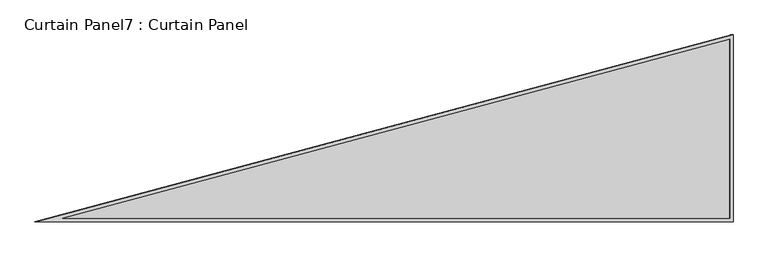
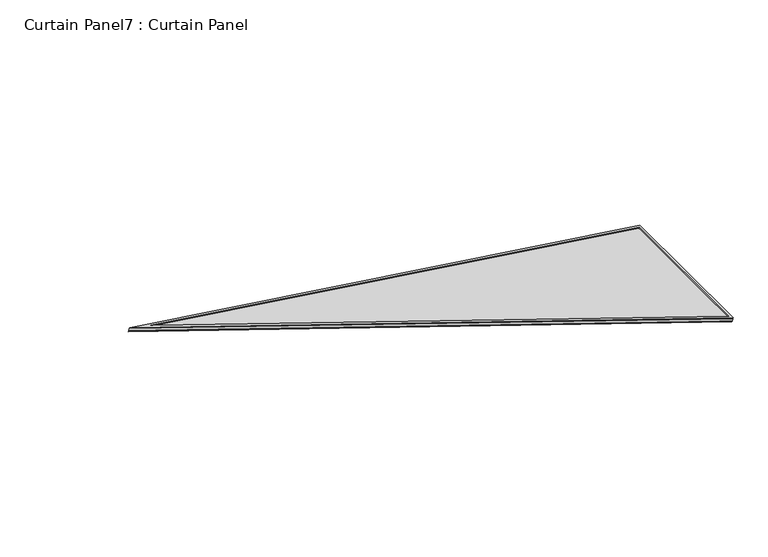
"""IFC4 building model written with IfcOpenShell, lengths in millimetres: plate geometry, Curtain Panel7 : Curtain Panel."""

from ifc_helpers import new_model, si_unit, frame, origin, place, context, project, spatial, polyline, outline, extrude, source, transform, mapped, element, save


def curtain_panel7_curtain_panel_313de5b4(model_context):
    return source(origin(), model_context, "Body", "SweptSolid", [
        extrude(outline(polyline([(879.2900678, -16.6274851), (-16.6274852, -16.6274851), (-16.6274852, 3507.7452777), (879.2900678, -16.6274851)]), holes=[polyline([(857.906941, 0.0), (0.0, 3374.8460959), (0.0, 0.0), (857.906941, 0.0)])]), frame((18926.0552506, 2225.8460582, 903.9254069), z_axis=(0.3161458239736528, 0.0, 0.9487106081329649), x_axis=(0.0, 1.0, 0.0)), (0.0, 0.0, 1.0), 4.8649148),
        extrude(outline(polyline([(885.6400678, -10.2774852), (-10.2774852, -10.2774852), (-10.2774852, 3514.0952777), (885.6400678, -10.2774852)]), holes=[polyline([(872.4231101, 0.0), (0.0, 3431.9500011), (0.0, 0.0), (872.4231101, 0.0)])]), frame((18926.5173437, 2219.4960582, 885.2264177), z_axis=(0.316145823973802, 0.0, 0.9487106081329153), x_axis=(0.0, 1.0, 0.0)), (0.0, 0.0, 1.0), 4.8243723),
        extrude(outline(polyline([(20.2034565, 0.0), (916.1210095, 0.0), (916.1210095, -3524.3727628), (20.2034565, 0.0)])), frame((18937.792908, 3125.3395825, 886.5541669), z_axis=(0.3161458239738058, 0.0, 0.948710608132914), x_axis=(0.0, -1.0, 0.0)), (0.0, 0.0, 1.0), 12.7694684),
    ])


if __name__ == "__main__":
    model = new_model("IFC4")
    model_context = context("Model", 3, world=origin())
    ifc_project = project(units=[si_unit("LENGTHUNIT", "METRE", prefix="MILLI")], contexts=[model_context])
    site = spatial("IfcSite", under=ifc_project)
    building = spatial("IfcBuilding", under=site)
    placement = place(None, origin())
    curtain_panel7_curtain_panel_shape = curtain_panel7_curtain_panel_313de5b4(model_context)
    element("IfcPlate", 1, ObjectType="Curtain Panel7 : Curtain Panel", at=placement, inside=building, context=model_context, shape_type="MappedRepresentation", body=[
        mapped(curtain_panel7_curtain_panel_shape, transform((0.0, 0.0, 0.0), x_axis=(1.0, 0.0, 0.0), y_axis=(0.0, 1.0, 0.0), z_axis=(0.0, 0.0, 1.0))),
    ])
    save(model, "model.ifc")
